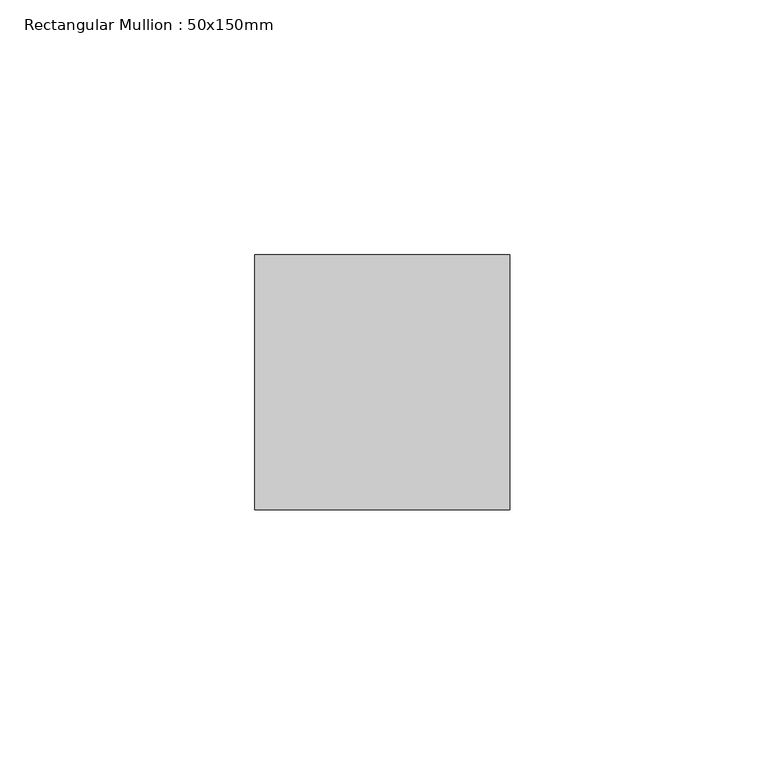
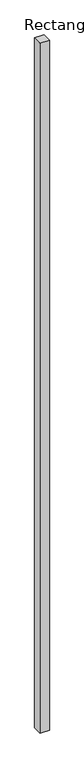
"""IFC4 building model written with IfcOpenShell, lengths in millimetres: member geometry, Rectangular Mullion : 50x150mm."""

import ifcopenshell
import ifcopenshell.guid

model = None  # the IFC model being written
_history = None  # IfcOwnerHistory: only IFC2X3 demands one
_inside = {}  # id of a spatial element -> (the spatial element, [elements in it])
_under = {}  # id of a project, library or spatial element -> (it, [spatial elements below it])
_declared = {}  # id of a project -> (the project, [libraries it declares])
_typed = {}  # id of a type object -> (the type object, [elements of that type])
_made_of = {}  # id of a material, layer set ... -> (it, [elements and type objects made of it])


def new_model(schema):
    """Start an empty IFC model of exactly this schema.

    Asked for "IFC4X3", IfcOpenShell would pick the latest addendum, in which some entities
    have other attributes; the version numbers below select the first issue.
    IFC2X3 requires an IfcOwnerHistory on every rooted entity: one is made here for all.
    """
    global model, _history
    if schema == "IFC4X3":
        model = ifcopenshell.file(schema_version=(4, 3, 0, 0))
    else:
        model = ifcopenshell.file(schema=schema)
    _inside.clear()
    _under.clear()
    _declared.clear()
    _typed.clear()
    _made_of.clear()
    _history = None
    if model.schema == "IFC2X3":
        org = make("IfcOrganization", Name="unknown")
        user = make(
            "IfcPersonAndOrganization",
            ThePerson=make("IfcPerson", FamilyName="unknown"),
            TheOrganization=org,
        )
        app = make(
            "IfcApplication",
            ApplicationDeveloper=org,
            Version="unknown",
            ApplicationFullName="unknown",
            ApplicationIdentifier="unknown",
        )
        _history = make(
            "IfcOwnerHistory",
            OwningUser=user,
            OwningApplication=app,
            ChangeAction="ADDED",
            CreationDate=0,
        )
    return model


def make(cls, **values):
    """One entity of the class cls with the attributes given. An attribute that is None is left unset."""
    return model.create_entity(
        cls, **{name: value for name, value in values.items() if value is not None}
    )


def rooted(cls, **values):
    """An entity with a GlobalId (a new one), such as an element, a storey or a relation."""
    return make(cls, GlobalId=ifcopenshell.guid.new(), OwnerHistory=_history, **values)


def si_unit(unit_type, name, prefix=None):
    """IfcSIUnit, for example si_unit("LENGTHUNIT", "METRE", prefix="MILLI")."""
    return make("IfcSIUnit", UnitType=unit_type, Prefix=prefix, Name=name)


def assignment(units):
    """IfcUnitAssignment: the units of a project."""
    return None if units is None else make("IfcUnitAssignment", Units=units)


def point(xyz):
    """IfcCartesianPoint."""
    return None if xyz is None else make("IfcCartesianPoint", Coordinates=xyz)


def direction(xyz):
    """IfcDirection."""
    return None if xyz is None else make("IfcDirection", DirectionRatios=xyz)


def frame(location, z_axis=None, x_axis=None):
    """IfcAxis2Placement3D, a coordinate frame: its origin and axes. An axis left out is left unset."""
    return make(
        "IfcAxis2Placement3D",
        Location=point(location),
        Axis=direction(z_axis),
        RefDirection=direction(x_axis),
    )


def origin():
    """The frame at (0, 0, 0) with its axes left unset."""
    return frame((0.0, 0.0, 0.0))


def place(relative_to, where):
    """IfcLocalPlacement: puts the frame where relative to a parent placement (None: the world)."""
    return make(
        "IfcLocalPlacement", PlacementRelTo=relative_to, RelativePlacement=where
    )


def context(
    kind, dimensions, precision=None, world=None, true_north=None, identifier=None
):
    """IfcGeometricRepresentationContext, for example the 3D "Model" context."""
    return make(
        "IfcGeometricRepresentationContext",
        ContextIdentifier=identifier,
        ContextType=kind,
        CoordinateSpaceDimension=dimensions,
        Precision=precision,
        WorldCoordinateSystem=world,
        TrueNorth=true_north,
    )


def project(units=None, contexts=None):
    """IfcProject with its units and contexts."""
    return rooted(
        "IfcProject",
        Name="project",
        RepresentationContexts=contexts,
        UnitsInContext=assignment(units),
    )


def spatial(cls, under=None, at=None, **own):
    """A site, building, storey or space (cls), placed at a placement, below another one or the project."""
    s = rooted(cls, ObjectPlacement=at, **own)
    if under is not None:
        _under.setdefault(under.id(), (under, []))[1].append(s)
    return s


def polyline(points):
    """IfcPolyline through the points."""
    return make("IfcPolyline", Points=[point(p) for p in points])


def outline(outer, holes=None, kind="AREA"):
    """IfcArbitraryClosedProfileDef: a profile drawn as a closed curve; with holes, ...WithVoids."""
    if holes is None:
        return make("IfcArbitraryClosedProfileDef", ProfileType=kind, OuterCurve=outer)
    return make(
        "IfcArbitraryProfileDefWithVoids",
        ProfileType=kind,
        OuterCurve=outer,
        InnerCurves=holes,
    )


def extrude(swept, where, along, depth):
    """IfcExtrudedAreaSolid: the profile swept, set in the frame where, extruded along a direction by depth."""
    return make(
        "IfcExtrudedAreaSolid",
        SweptArea=swept,
        Position=where,
        ExtrudedDirection=direction(along),
        Depth=depth,
    )


def shape(context_of_items, identifier, shape_type, items):
    """IfcShapeRepresentation: the items that make up one representation, for example the "Body"."""
    return make(
        "IfcShapeRepresentation",
        ContextOfItems=context_of_items,
        RepresentationIdentifier=identifier,
        RepresentationType=shape_type,
        Items=items,
    )


def source(mapping_origin, context_of_items, identifier, shape_type, items):
    """IfcRepresentationMap: a shape defined once, which mapped items show again and again."""
    return make(
        "IfcRepresentationMap",
        MappingOrigin=mapping_origin,
        MappedRepresentation=shape(context_of_items, identifier, shape_type, items),
    )


def transform(
    local_origin,
    x_axis=None,
    y_axis=None,
    z_axis=None,
    scale=None,
    scale2=None,
    scale3=None,
    uniform=True,
):
    """IfcCartesianTransformationOperator3D, or its non-uniform kind. x_axis, y_axis, z_axis: its Axis1, 2, 3."""
    if uniform:
        return make(
            "IfcCartesianTransformationOperator3D",
            Axis1=direction(x_axis),
            Axis2=direction(y_axis),
            LocalOrigin=point(local_origin),
            Scale=scale,
            Axis3=direction(z_axis),
        )
    return make(
        "IfcCartesianTransformationOperator3DnonUniform",
        Axis1=direction(x_axis),
        Axis2=direction(y_axis),
        LocalOrigin=point(local_origin),
        Scale=scale,
        Axis3=direction(z_axis),
        Scale2=scale2,
        Scale3=scale3,
    )


def mapped(mapping_source, mapping_target):
    """IfcMappedItem: shows the shape of a source again, moved by a transform."""
    return make(
        "IfcMappedItem", MappingSource=mapping_source, MappingTarget=mapping_target
    )


def made_of(thing, what):
    """Note that an element or type object is made of a material, layer set ...; save() writes the relation."""
    if what is not None:
        _made_of.setdefault(what.id(), (what, []))[1].append(thing)
    return thing


def element(
    cls,
    number,
    at=None,
    inside=None,
    cuts=None,
    type_object=None,
    material=None,
    context=None,
    identifier="Body",
    shape_type=None,
    held_by="IfcProductDefinitionShape",
    body=None,
    shapes=None,
    **own,
):
    """One element of the class cls, such as IfcWall. Its Tag is "e" and its number.

    at: its placement. inside: the storey or other place that contains it. cuts: it is an
    opening in that element (IfcRelVoidsElement). A single representation is given by context,
    identifier, shape_type and body (its items); several are given by shapes. held_by: the class
    of the entity that holds the representations. save() writes the other relations.
    """
    e = rooted(cls, Tag="e%d" % number, ObjectPlacement=at, **own)
    if body is not None:
        shapes = [shape(context, identifier, shape_type, body)]
    if shapes is not None:
        e.Representation = make(held_by, Representations=shapes)
    if inside is not None:
        _inside.setdefault(inside.id(), (inside, []))[1].append(e)
    if cuts is not None:
        rooted(
            "IfcRelVoidsElement", RelatingBuildingElement=cuts, RelatedOpeningElement=e
        )
    if type_object is not None:
        _typed.setdefault(type_object.id(), (type_object, []))[1].append(e)
    return made_of(e, material)


def aggregate(whole, parts):
    """IfcRelAggregates: a whole, such as a stair, and the parts it consists of."""
    return rooted("IfcRelAggregates", RelatingObject=whole, RelatedObjects=parts)


def save(model, path):
    """Write the relations noted so far, then the file.

    IfcRelAggregates (storeys below a building ...), IfcRelContainedInSpatialStructure (elements
    in a storey), IfcRelDefinesByType, IfcRelAssociatesMaterial and IfcRelDeclares: one each for
    every whole, place, type object, material and project.
    """
    for whole, parts in _under.values():
        aggregate(whole, parts)
    for where, things in _inside.values():
        rooted(
            "IfcRelContainedInSpatialStructure",
            RelatedElements=things,
            RelatingStructure=where,
        )
    for kind, things in _typed.values():
        rooted("IfcRelDefinesByType", RelatedObjects=things, RelatingType=kind)
    for what, things in _made_of.values():
        rooted("IfcRelAssociatesMaterial", RelatedObjects=things, RelatingMaterial=what)
    for by, libraries in _declared.values():
        rooted("IfcRelDeclares", RelatingContext=by, RelatedDefinitions=libraries)
    model.write(path)


def rectangular_mullion_50x150mm_50419832(model_context):
    return source(origin(), model_context, "Body", "SweptSolid", [
        extrude(outline(polyline([(25.0, 25.0), (25.0, -25.0), (-25.0, -25.0), (-25.0, 25.0), (25.0, 25.0)])), frame((0.0, 0.0, -3920.0), z_axis=(0.0, 0.0, 1.0), x_axis=(1.0, 0.0, 0.0)), (0.0, 0.0, 1.0), 3920.0),
    ])


if __name__ == "__main__":
    model = new_model("IFC4")
    model_context = context("Model", 3, world=origin())
    ifc_project = project(units=[si_unit("LENGTHUNIT", "METRE", prefix="MILLI")], contexts=[model_context])
    site = spatial("IfcSite", under=ifc_project)
    building = spatial("IfcBuilding", under=site)
    placement = place(None, origin())
    rectangular_mullion_50x150mm_shape = rectangular_mullion_50x150mm_50419832(model_context)
    element("IfcMember", 1, ObjectType="Rectangular Mullion : 50x150mm", at=placement, inside=building, context=model_context, shape_type="MappedRepresentation", body=[
        mapped(rectangular_mullion_50x150mm_shape, transform((0.0, 0.0, 0.0), x_axis=(1.0, 0.0, 0.0), y_axis=(0.0, 1.0, 0.0), z_axis=(0.0, 0.0, 1.0))),
    ])
    save(model, "model.ifc")
